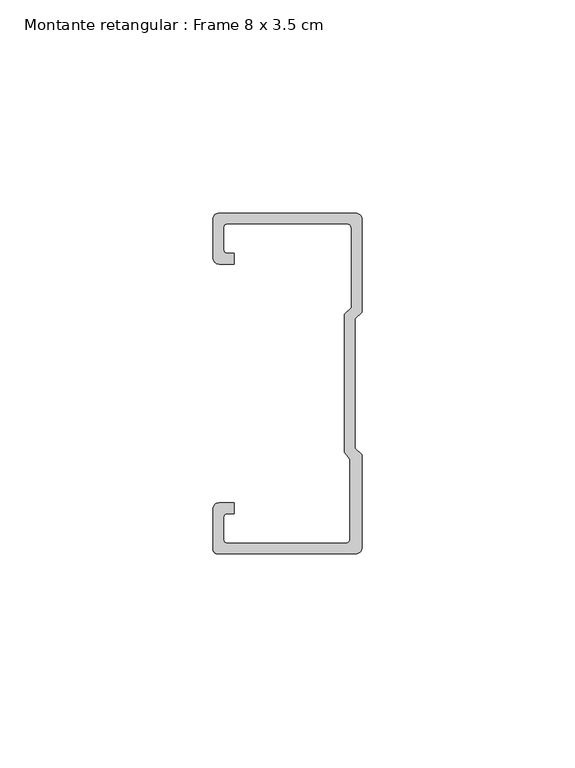
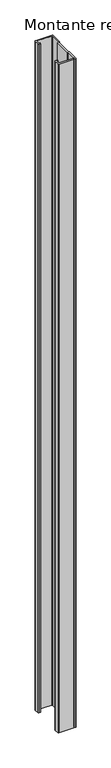
"""IFC4 building model written with IfcOpenShell, lengths in millimetres: member geometry, Montante retangular : Frame 8 x 3.5 cm."""

from ifc_helpers import new_model, si_unit, point, frame, frame_2d, origin, place, context, project, spatial, polyline, circle_curve, trimmed, segment, composite_curve, outline, extrude, source, transform, mapped, element, save


def montante_retangular_frame_8_x_3_5_cm_d5514efe(model_context):
    return source(origin(), model_context, "Body", "SweptSolid", [
        extrude(outline(composite_curve([segment(polyline([(-17.5, 29.5276505), (-17.5, 38.5)]), True, "CONTINUOUS"), segment(trimmed(circle_curve(frame_2d((-16.0, 38.5)), 1.5), [point((-17.5, 38.5))], [point((-16.0, 40.0))], False, "CARTESIAN"), True, "CONTINUOUS"), segment(polyline([(-16.0, 40.0), (16.0, 40.0)]), True, "CONTINUOUS"), segment(trimmed(circle_curve(frame_2d((16.0, 38.5)), 1.5), [point((16.0, 40.0))], [point((17.5, 38.5))], False, "CARTESIAN"), True, "CONTINUOUS"), segment(polyline([(17.5, 38.5), (17.5, 16.7622662), (15.9122869, 15.174553), (15.9122869, -15.174553), (17.5, -16.7622662), (17.5, -38.5)]), True, "CONTINUOUS"), segment(trimmed(circle_curve(frame_2d((16.0, -38.5)), 1.5), [point((17.5, -38.5))], [point((16.0, -40.0))], False, "CARTESIAN"), True, "CONTINUOUS"), segment(polyline([(16.0, -40.0), (-16.3171833, -40.0)]), True, "CONTINUOUS"), segment(trimmed(circle_curve(frame_2d((-16.3171833, -38.8171833)), 1.1828167), [point((-16.3171833, -40.0))], [point((-17.5, -38.8171833))], False, "CARTESIAN"), True, "CONTINUOUS"), segment(polyline([(-17.5, -38.8171833), (-17.5, -29.5276505)]), True, "CONTINUOUS"), segment(trimmed(circle_curve(frame_2d((-16.0, -29.5276505)), 1.5), [point((-17.5, -29.5276505))], [point((-16.0, -28.0276505))], False, "CARTESIAN"), True, "CONTINUOUS"), segment(polyline([(-16.0, -28.0276505), (-12.5162256, -28.0276505), (-12.5162256, -30.5276505), (-14.0, -30.5276505)]), True, "CONTINUOUS"), segment(trimmed(circle_curve(frame_2d((-14.0, -31.5276505)), 1.0), [point((-14.0, -30.5276505))], [point((-15.0, -31.5276505))], True, "CARTESIAN"), True, "CONTINUOUS"), segment(polyline([(-15.0, -31.5276505), (-15.0, -36.5)]), True, "CONTINUOUS"), segment(trimmed(circle_curve(frame_2d((-14.0, -36.5)), 1.0), [point((-15.0, -36.5))], [point((-14.0, -37.5))], True, "CARTESIAN"), True, "CONTINUOUS"), segment(polyline([(-14.0, -37.5), (13.692786, -37.5)]), True, "CONTINUOUS"), segment(trimmed(circle_curve(frame_2d((13.692786, -36.5)), 1.0), [point((13.692786, -37.5))], [point((14.692786, -36.5))], True, "CARTESIAN"), True, "CONTINUOUS"), segment(polyline([(14.692786, -36.5), (14.692786, -17.7671948), (13.4122869, -16.1794816), (13.4122869, 16.2100869), (15.0, 17.7978001), (15.0, 36.5)]), True, "CONTINUOUS"), segment(trimmed(circle_curve(frame_2d((14.0, 36.5)), 1.0), [point((15.0, 36.5))], [point((14.0, 37.5))], True, "CARTESIAN"), True, "CONTINUOUS"), segment(polyline([(14.0, 37.5), (-14.0, 37.5)]), True, "CONTINUOUS"), segment(trimmed(circle_curve(frame_2d((-14.0, 36.5)), 1.0), [point((-14.0, 37.5))], [point((-15.0, 36.5))], True, "CARTESIAN"), True, "CONTINUOUS"), segment(polyline([(-15.0, 36.5), (-15.0, 31.5276505)]), True, "CONTINUOUS"), segment(trimmed(circle_curve(frame_2d((-14.0, 31.5276505)), 1.0), [point((-15.0, 31.5276505))], [point((-14.0, 30.5276505))], True, "CARTESIAN"), True, "CONTINUOUS"), segment(polyline([(-14.0, 30.5276505), (-12.5162256, 30.5276505), (-12.5162256, 28.0276505), (-16.0, 28.0276505)]), True, "CONTINUOUS"), segment(trimmed(circle_curve(frame_2d((-16.0, 29.5276505)), 1.5), [point((-16.0, 28.0276505))], [point((-17.5, 29.5276505))], False, "CARTESIAN"), True, "CONTINUOUS")], self_intersect=False)), frame((0.0, 0.0, -1382.5), z_axis=(0.0, 0.0, 1.0), x_axis=(1.0, 0.0, 0.0)), (0.0, 0.0, 1.0), 1382.5),
    ])


if __name__ == "__main__":
    model = new_model("IFC4")
    model_context = context("Model", 3, world=origin())
    ifc_project = project(units=[si_unit("LENGTHUNIT", "METRE", prefix="MILLI")], contexts=[model_context])
    site = spatial("IfcSite", under=ifc_project)
    building = spatial("IfcBuilding", under=site)
    placement = place(None, origin())
    montante_retangular_frame_8_x_3_5_cm_shape = montante_retangular_frame_8_x_3_5_cm_d5514efe(model_context)
    element("IfcMember", 1, ObjectType="Montante retangular : Frame 8 x 3.5 cm", at=placement, inside=building, context=model_context, shape_type="MappedRepresentation", body=[
        mapped(montante_retangular_frame_8_x_3_5_cm_shape, transform((0.0, 0.0, 0.0), x_axis=(1.0, 0.0, 0.0), y_axis=(0.0, 1.0, 0.0), z_axis=(0.0, 0.0, 1.0))),
    ])
    save(model, "model.ifc")
